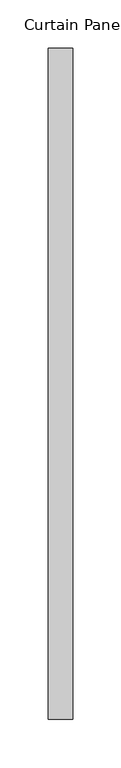
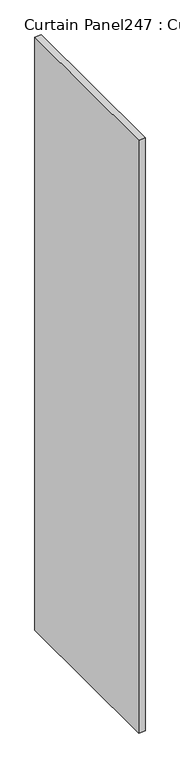
"""IFC4 building model written with IfcOpenShell, lengths in millimetres: plate geometry, Curtain Panel247 : Curtain Panel."""

from ifc_helpers import new_model, si_unit, origin, origin_with_axes, place, context, project, spatial, polyline, outline, extrude, source, transform, mapped, element, save


def curtain_panel247_curtain_panel_129aed9e(model_context):
    return source(origin(), model_context, "Body", "SweptSolid", [
        extrude(outline(polyline([(-57529.2137795, 4431.9573353), (-57529.2137795, 3734.0760947), (-57554.6137795, 3734.0760947), (-57554.6137795, 4431.9573353), (-57529.2137795, 4431.9573353)])), origin_with_axes(), (0.0, 0.0, 1.0), 2438.4),
    ])


if __name__ == "__main__":
    model = new_model("IFC4")
    model_context = context("Model", 3, world=origin())
    ifc_project = project(units=[si_unit("LENGTHUNIT", "METRE", prefix="MILLI")], contexts=[model_context])
    site = spatial("IfcSite", under=ifc_project)
    building = spatial("IfcBuilding", under=site)
    placement = place(None, origin())
    curtain_panel247_curtain_panel_shape = curtain_panel247_curtain_panel_129aed9e(model_context)
    element("IfcPlate", 1, ObjectType="Curtain Panel247 : Curtain Panel", at=placement, inside=building, context=model_context, shape_type="MappedRepresentation", body=[
        mapped(curtain_panel247_curtain_panel_shape, transform((0.0, 0.0, 0.0), x_axis=(1.0, 0.0, 0.0), y_axis=(0.0, 1.0, 0.0), z_axis=(0.0, 0.0, 1.0))),
    ])
    save(model, "model.ifc")
